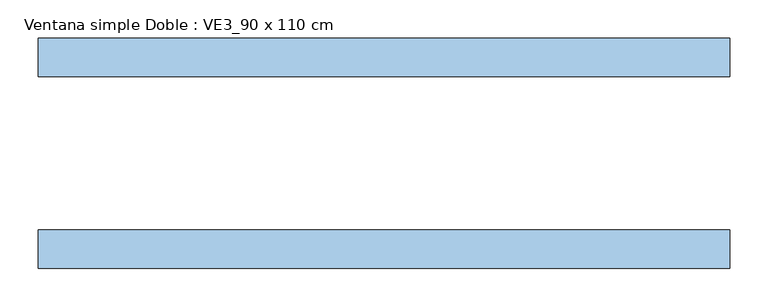
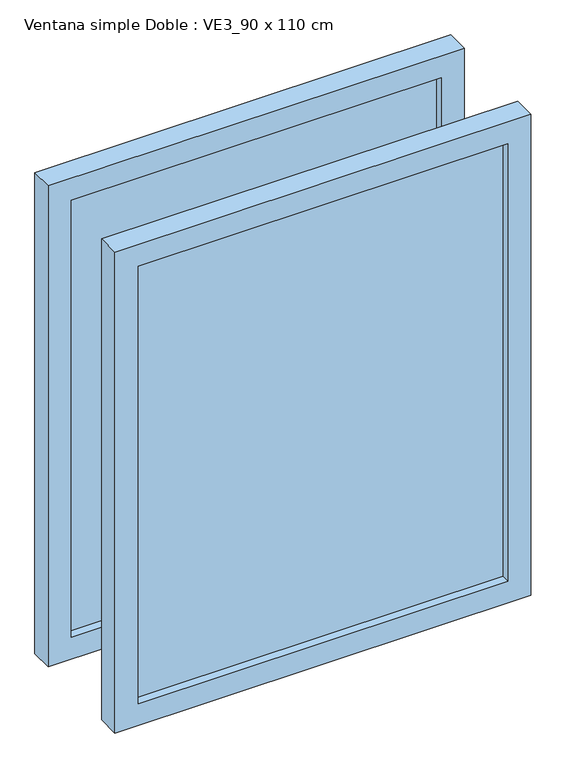
"""IFC4 building model written with IfcOpenShell, lengths in millimetres: window geometry, Ventana simple Doble : VE3_90 x 110 cm."""

from ifc_helpers import new_model, si_unit, frame, origin, place, context, project, spatial, polyline, outline, extrude, source, transform, mapped, element, save


def ventana_simple_doble_ve3_90_x_110_cm_12c825ff(model_context):
    return source(origin(), model_context, "Body", "SweptSolid", [
        extrude(outline(polyline([(400.0, -131.5), (-400.0, -131.5), (-400.0, -118.5), (400.0, -118.5), (400.0, -131.5)])), frame((0.0, 0.0, 850.0), z_axis=(0.0, 0.0, 1.0), x_axis=(1.0, 0.0, 0.0)), (0.0, 0.0, 1.0), 1000.0),
        extrude(outline(polyline([(800.0, 450.0), (1900.0, 450.0), (1900.0, -450.0), (800.0, -450.0), (800.0, 450.0)]), holes=[polyline([(1850.0, 400.0), (850.0, 400.0), (850.0, -400.0), (1850.0, -400.0), (1850.0, 400.0)])]), frame((0.0, -150.0, 0.0), z_axis=(0.0, 1.0, 0.0), x_axis=(0.0, 0.0, 1.0)), (0.0, 0.0, 1.0), 50.0),
        extrude(outline(polyline([(400.0, 131.5), (400.0, 118.5), (-400.0, 118.5), (-400.0, 131.5), (400.0, 131.5)])), frame((0.0, 0.0, 850.0), z_axis=(0.0, 0.0, 1.0), x_axis=(1.0, 0.0, 0.0)), (0.0, 0.0, 1.0), 1000.0),
        extrude(outline(polyline([(1900.0, 450.0), (1900.0, -450.0), (800.0, -450.0), (800.0, 450.0), (1900.0, 450.0)]), holes=[polyline([(850.0, 400.0), (850.0, -400.0), (1850.0, -400.0), (1850.0, 400.0), (850.0, 400.0)])]), frame((0.0, 100.0, 0.0), z_axis=(0.0, 1.0, 0.0), x_axis=(0.0, 0.0, 1.0)), (0.0, 0.0, 1.0), 50.0),
    ])


if __name__ == "__main__":
    model = new_model("IFC4")
    model_context = context("Model", 3, world=origin())
    ifc_project = project(units=[si_unit("LENGTHUNIT", "METRE", prefix="MILLI")], contexts=[model_context])
    site = spatial("IfcSite", under=ifc_project)
    building = spatial("IfcBuilding", under=site)
    placement = place(None, origin())
    ventana_simple_doble_ve3_90_x_110_cm_shape = ventana_simple_doble_ve3_90_x_110_cm_12c825ff(model_context)
    element("IfcWindow", 1, ObjectType="Ventana simple Doble : VE3_90 x 110 cm", at=placement, inside=building, context=model_context, shape_type="MappedRepresentation", body=[
        mapped(ventana_simple_doble_ve3_90_x_110_cm_shape, transform((0.0, 0.0, 0.0), x_axis=(1.0, 0.0, 0.0), y_axis=(0.0, 1.0, 0.0), z_axis=(0.0, 0.0, 1.0))),
    ])
    save(model, "model.ifc")
